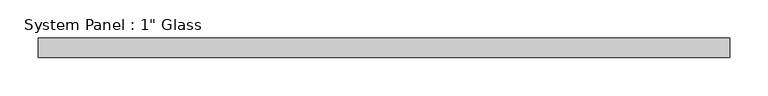
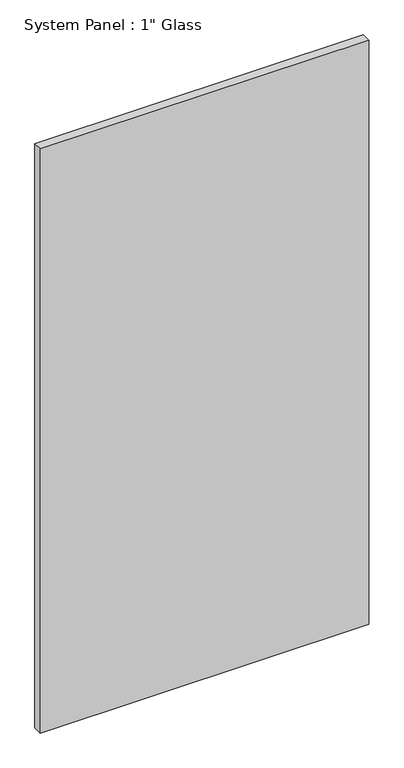
"""IFC4 building model written with IfcOpenShell, lengths in millimetres: plate geometry."""

from ifc_helpers import new_model, si_unit, origin, origin_with_axes, place, context, project, spatial, polyline, outline, extrude, source, transform, mapped, element, save


def plate_01601a6d(model_context):
    return source(origin(), model_context, "Body", "SweptSolid", [
        extrude(outline(polyline([(450.85, -12.7), (-450.85, -12.7), (-450.85, 12.7), (450.85, 12.7), (450.85, -12.7)])), origin_with_axes(), (0.0, 0.0, 1.0), 1695.45),
    ])


if __name__ == "__main__":
    model = new_model("IFC4")
    model_context = context("Model", 3, world=origin())
    ifc_project = project(units=[si_unit("LENGTHUNIT", "METRE", prefix="MILLI")], contexts=[model_context])
    site = spatial("IfcSite", under=ifc_project)
    building = spatial("IfcBuilding", under=site)
    placement = place(None, origin())
    plate_shape = plate_01601a6d(model_context)
    element("IfcPlate", 1, ObjectType="System Panel : 1\" Glass", at=placement, inside=building, context=model_context, shape_type="MappedRepresentation", body=[
        mapped(plate_shape, transform((0.0, 0.0, 0.0), x_axis=(1.0, 0.0, 0.0), y_axis=(0.0, 1.0, 0.0), z_axis=(0.0, 0.0, 1.0))),
    ])
    save(model, "model.ifc")
